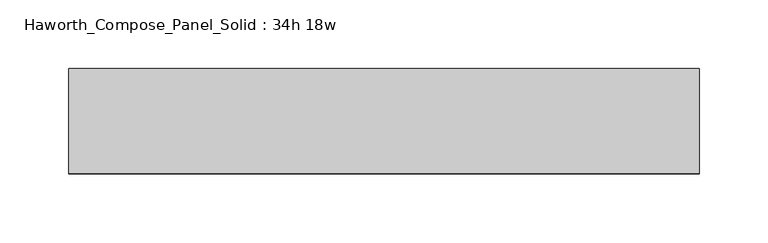
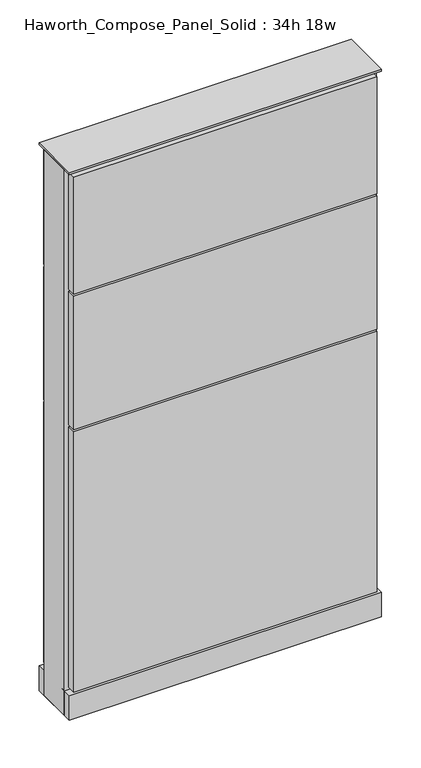
"""IFC4 building model written with IfcOpenShell, lengths in millimetres: furniture geometry, Haworth_Compose_Panel_Solid : 34h 18w."""

from ifc_helpers import new_model, si_unit, point, frame, frame_2d, origin, origin_with_axes, place, context, project, spatial, polyline, circle_curve, trimmed, segment, composite_curve, outline, extrude, source, transform, mapped, element, save


def haworth_compose_panel_solid_34h_18w_bdf082cb(model_context):
    return source(origin(), model_context, "Body", "SweptSolid", [
        extrude(outline(composite_curve([segment(trimmed(circle_curve(frame_2d((-149.9597098, 0.0)), 12.7), [point((-162.6597098, 0.0))], [point((-137.2597098, 0.0))], False, "CARTESIAN"), True, "CONTINUOUS"), segment(trimmed(circle_curve(frame_2d((-149.9597098, 0.0)), 12.7), [point((-137.2597098, 0.0))], [point((-162.6597098, 0.0))], False, "CARTESIAN"), True, "CONTINUOUS")], self_intersect=False)), origin_with_axes(), (0.0, 0.0, 1.0), 12.7),
        extrude(outline(composite_curve([segment(trimmed(circle_curve(frame_2d((154.8402902, 0.0)), 12.7), [point((142.1402902, 0.0))], [point((167.5402902, 0.0))], False, "CARTESIAN"), True, "CONTINUOUS"), segment(trimmed(circle_curve(frame_2d((154.8402902, 0.0)), 12.7), [point((167.5402902, 0.0))], [point((142.1402902, 0.0))], False, "CARTESIAN"), True, "CONTINUOUS")], self_intersect=False)), origin_with_axes(), (0.0, 0.0, 1.0), 12.7),
        extrude(outline(polyline([(224.6902902, 38.1), (224.6902902, 25.4), (-219.8097098, 25.4), (-219.8097098, 38.1), (224.6902902, 38.1)])), frame((0.0, 0.0, 669.925), z_axis=(0.0, 0.0, 1.0), x_axis=(1.0, 0.0, 0.0)), (0.0, 0.0, 1.0), 180.975),
        extrude(outline(polyline([(224.6902902, 38.1), (224.6902902, 25.4), (-219.8097098, 25.4), (-219.8097098, 38.1), (224.6902902, 38.1)])), frame((0.0, 0.0, 460.375), z_axis=(0.0, 0.0, 1.0), x_axis=(1.0, 0.0, 0.0)), (0.0, 0.0, 1.0), 206.375),
        extrude(outline(polyline([(224.6902902, 38.1), (224.6902902, 25.4), (-219.8097098, 25.4), (-219.8097098, 38.1), (224.6902902, 38.1)])), frame((0.0, 0.0, 53.975), z_axis=(0.0, 0.0, 1.0), x_axis=(1.0, 0.0, 0.0)), (0.0, 0.0, 1.0), 403.225),
        extrude(outline(polyline([(224.6902902, -38.1), (-219.8097098, -38.1), (-219.8097098, -25.4), (224.6902902, -25.4), (224.6902902, -38.1)])), frame((0.0, 0.0, 669.925), z_axis=(0.0, 0.0, 1.0), x_axis=(1.0, 0.0, 0.0)), (0.0, 0.0, 1.0), 180.975),
        extrude(outline(polyline([(224.6902902, -38.1), (-219.8097098, -38.1), (-219.8097098, -25.4), (224.6902902, -25.4), (224.6902902, -38.1)])), frame((0.0, 0.0, 460.375), z_axis=(0.0, 0.0, 1.0), x_axis=(1.0, 0.0, 0.0)), (0.0, 0.0, 1.0), 206.375),
        extrude(outline(polyline([(224.6902902, -38.1), (-219.8097098, -38.1), (-219.8097098, -25.4), (224.6902902, -25.4), (224.6902902, -38.1)])), frame((0.0, 0.0, 53.975), z_axis=(0.0, 0.0, 1.0), x_axis=(1.0, 0.0, 0.0)), (0.0, 0.0, 1.0), 403.225),
        extrude(outline(polyline([(231.0402902, 25.4), (231.0402902, -25.4), (-226.1597098, -25.4), (-226.1597098, 25.4), (231.0402902, 25.4)])), frame((0.0, 0.0, 12.7), z_axis=(0.0, 0.0, 1.0), x_axis=(1.0, 0.0, 0.0)), (0.0, 0.0, 1.0), 844.55),
        extrude(outline(polyline([(-226.1597098, -38.1), (-226.1597098, 38.1), (231.0402902, 38.1), (231.0402902, -38.1), (-226.1597098, -38.1)])), frame((0.0, 0.0, 12.7), z_axis=(0.0, 0.0, 1.0), x_axis=(1.0, 0.0, 0.0)), (0.0, 0.0, 1.0), 38.1),
        extrude(outline(polyline([(-226.1597098, -38.1), (-226.1597098, 38.1), (231.0402902, 38.1), (231.0402902, -38.1), (-226.1597098, -38.1)])), frame((0.0, 0.0, 857.25), z_axis=(0.0, 0.0, 1.0), x_axis=(1.0, 0.0, 0.0)), (0.0, 0.0, 1.0), 3.175),
    ])


if __name__ == "__main__":
    model = new_model("IFC4")
    model_context = context("Model", 3, world=origin())
    ifc_project = project(units=[si_unit("LENGTHUNIT", "METRE", prefix="MILLI")], contexts=[model_context])
    site = spatial("IfcSite", under=ifc_project)
    building = spatial("IfcBuilding", under=site)
    placement = place(None, origin())
    haworth_compose_panel_solid_34h_18w_shape = haworth_compose_panel_solid_34h_18w_bdf082cb(model_context)
    element("IfcFurniture", 1, ObjectType="Haworth_Compose_Panel_Solid : 34h 18w", at=placement, inside=building, context=model_context, shape_type="MappedRepresentation", body=[
        mapped(haworth_compose_panel_solid_34h_18w_shape, transform((0.0, 0.0, 0.0), x_axis=(1.0, 0.0, 0.0), y_axis=(0.0, 1.0, 0.0), z_axis=(0.0, 0.0, 1.0))),
    ])
    save(model, "model.ifc")
